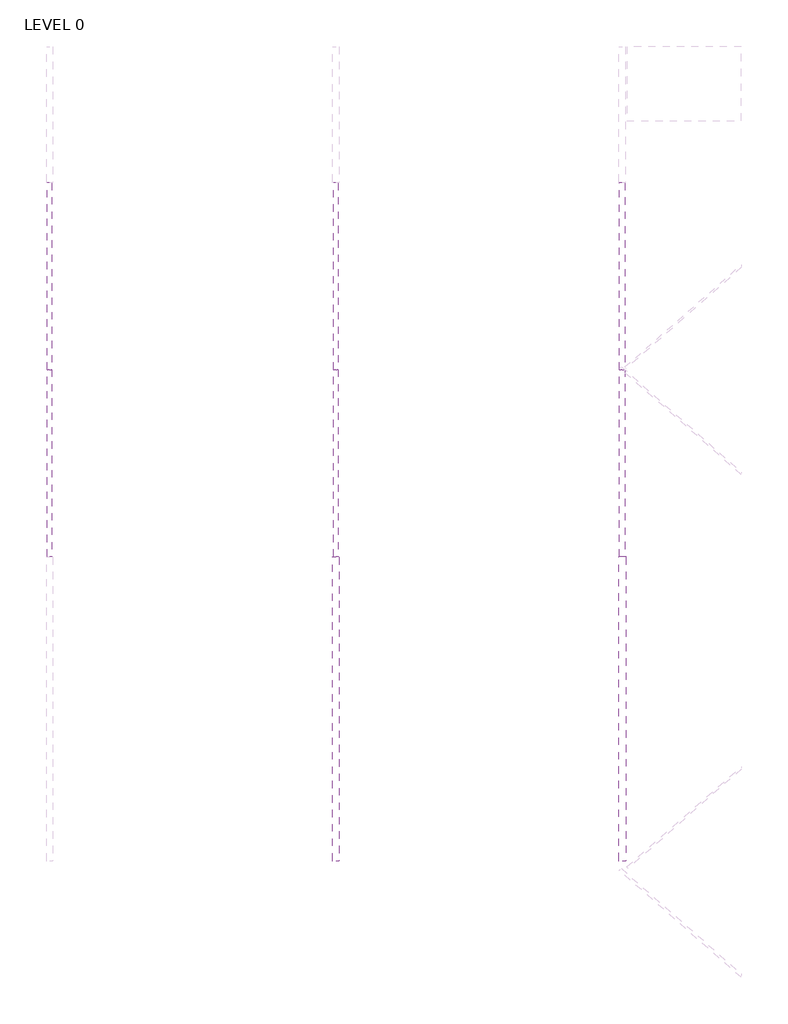
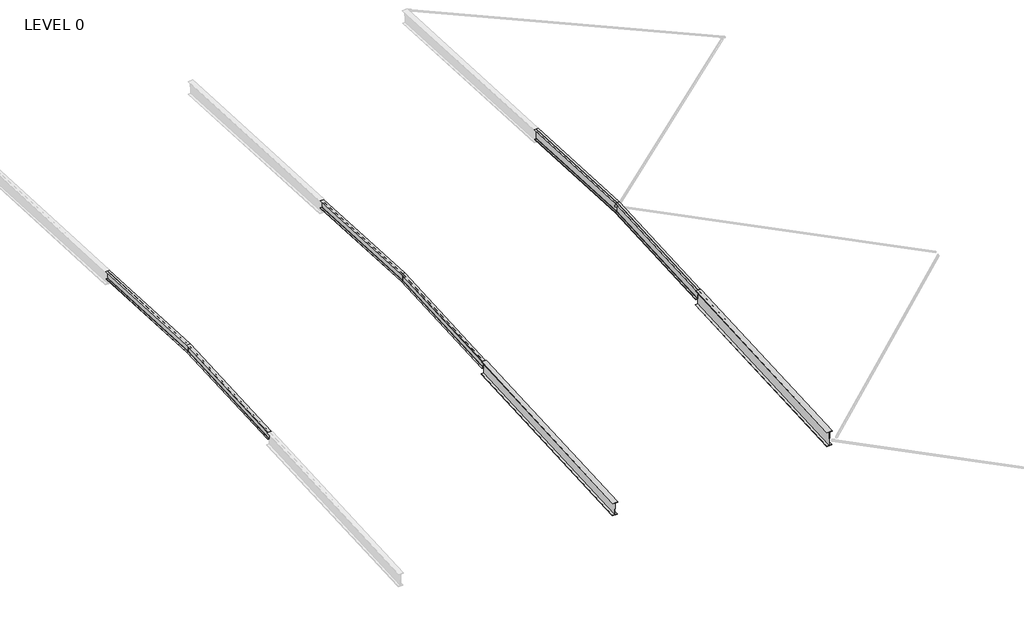
# One storey, part 5 of 11: 8 beams.
"""IFC4 building model written with IfcOpenShell, lengths in millimetres."""

from ifc_helpers import new_model, si_unit, frame, origin, place, context, project, spatial, polyline, circle_curve, ellipse_curve, outline, extrude, element, save
from ifc_brep_helpers import plane_surface, revolved_surface, advanced_brep

model = new_model("IFC4")

# Units and contexts
model_context = context("Model", 3, world=origin())
ifc_project = project(units=[si_unit("LENGTHUNIT", "METRE", prefix="MILLI")], contexts=[model_context])

# Site, building, storey
site = spatial("IfcSite", under=ifc_project)
building = spatial("IfcBuilding", under=site)
storey = spatial("IfcBuildingStorey", under=building, Name="LEVEL 0", Elevation=0.0)

# Beams
placement = place(None, origin())
element("IfcBeam", 1, ObjectType="R11-410UB53.7", at=placement, inside=storey, context=model_context, shape_type="AdvancedBrep", body=[
    advanced_brep(
    [(-206330.0885398, 51070.0, 61105.8171698), (-206341.4885398, 51070.0, 61094.4015251), (-206341.4885398, 43700.7118633, 60708.1934989), (-206330.0885398, 43700.1152334, 60719.5778756), (-206330.0885398, 51070.0, 61464.3084697), (-206330.0885398, 43681.3789611, 61077.0872491), (-206341.4885398, 51070.0, 61475.7241144), (-206341.4885398, 43680.7823312, 61088.4716258), (-206415.2885398, 51070.0, 61475.7241144), (-206415.2885398, 43680.7823312, 61088.4716258), (-206415.2885398, 51070.0, 61486.639073), (-206415.2885398, 43680.2118693, 61099.3566877), (-206237.2885398, 51070.0, 61486.639073), (-206237.2885398, 43680.2118693, 61099.3566877), (-206237.2885398, 51070.0, 61475.7241144), (-206237.2885398, 43680.7823312, 61088.4716258), (-206415.2885398, 43700.7118633, 60708.1934989), (-206415.2885398, 43701.2823253, 60697.308437), (-206237.2885398, 43701.2823253, 60697.308437), (-206237.2885398, 43700.7118633, 60708.1934989), (-206311.0885398, 43700.7118633, 60708.1934989), (-206322.4885398, 43700.1152334, 60719.5778756), (-206322.4885398, 43681.3789611, 61077.0872491), (-206311.0885398, 43680.7823312, 61088.4716258), (-206415.2885398, 51070.0, 61094.4015251), (-206311.0885398, 51070.0, 61475.7241144), (-206322.4885398, 51070.0, 61464.3084697), (-206322.4885398, 51070.0, 61105.8171698), (-206311.0885398, 51070.0, 61094.4015251), (-206237.2885398, 51070.0, 61094.4015251), (-206237.2885398, 51070.0, 61083.4865665), (-206415.2885398, 51070.0, 61083.4865665)],
    [
        (0, 1, ellipse_curve(frame((-206341.4885398, 51070.0, 61105.8171698), z_axis=(0.0, 1.0, 0.0), x_axis=(0.0, 0.0, -1.0)), 11.4156447, 11.4)),
        (1, 2),
        (2, 3, circle_curve(frame((-206341.4885398, 43700.1152334, 60719.5778756), z_axis=(0.0, -0.9986295347545777, -0.052335956242871705), x_axis=(1.0, 0.0, 0.0)), 11.4)),
        (3, 0),
        (4, 0),
        (3, 5),
        (5, 4),
        (6, 4, ellipse_curve(frame((-206341.4885398, 51070.0, 61464.3084697), z_axis=(0.0, 1.0, 0.0), x_axis=(0.0, 0.0, -1.0)), 11.4156447, 11.4)),
        (5, 7, circle_curve(frame((-206341.4885398, 43681.3789611, 61077.0872491), z_axis=(0.0, -0.9986295347545777, -0.052335956242871705), x_axis=(1.0, 0.0, 0.0)), 11.4)),
        (7, 6),
        (8, 6),
        (7, 9),
        (9, 8),
        (10, 8),
        (9, 11),
        (11, 10),
        (12, 10),
        (11, 13),
        (13, 12),
        (14, 12),
        (13, 15),
        (15, 14),
        (16, 17),
        (17, 18),
        (18, 19),
        (19, 20),
        (20, 21, circle_curve(frame((-206311.0885398, 43700.1152334, 60719.5778756), z_axis=(0.0, 0.9986295347545777, 0.052335956242871705), x_axis=(1.0, 0.0, 0.0)), 11.4)),
        (21, 22),
        (22, 23, circle_curve(frame((-206311.0885398, 43681.3789611, 61077.0872491), z_axis=(0.0, 0.9986295347545777, 0.052335956242871705), x_axis=(1.0, 0.0, 0.0)), 11.4)),
        (23, 15),
        (2, 16),
        (1, 24),
        (24, 16),
        (25, 14),
        (23, 25),
        (26, 25, ellipse_curve(frame((-206311.0885398, 51070.0, 61464.3084697), z_axis=(0.0, 1.0, 0.0), x_axis=(0.0, 0.0, -1.0)), 11.4156447, 11.4)),
        (22, 26),
        (27, 26),
        (21, 27),
        (28, 27, ellipse_curve(frame((-206311.0885398, 51070.0, 61105.8171698), z_axis=(0.0, 1.0, 0.0), x_axis=(0.0, 0.0, -1.0)), 11.4156447, 11.4)),
        (20, 28),
        (29, 28),
        (19, 29),
        (30, 29),
        (18, 30),
        (31, 30),
        (17, 31),
        (24, 31),
    ],
    [
        revolved_surface(polyline([(-206330.0885398, 43700.11523339669, 60719.57787563701), (-206330.0885398, 51070.59662989749, 61105.848437874054)]), (-206341.4885398, 51020.0697232, 61103.2004349), (0.0, -0.9986295347545777, -0.052335956242871705)),
        plane_surface(frame((-206330.0885398, 51020.0697232, 61103.2004349), z_axis=(-1.0, 0.0, 0.0), x_axis=(0.0, -0.9986295347545777, -0.052335956242871705))),
        revolved_surface(polyline([(-206330.0885398, 43681.378961103284, 61077.08724903736), (-206330.0885398, 51070.5966299015, 61464.33973769755)]), (-206341.4885398, 51001.3334509, 61460.7098083), (0.0, -0.9986295347545777, -0.052335956242871705)),
        plane_surface(frame((-206341.4885398, 51000.736821, 61472.094185), z_axis=(0.0, 0.052335956242871705, -0.9986295347545777), x_axis=(0.0, -0.9986295347545777, -0.052335956242871705))),
        plane_surface(frame((-206415.2885398, 51000.736821, 61472.094185), z_axis=(-1.0, 0.0, 0.0), x_axis=(0.0, -0.9986295347545777, -0.052335956242871705))),
        plane_surface(frame((-206415.2885398, 51000.166359, 61482.979247), z_axis=(0.0, -0.052335956242871705, 0.9986295347545777), x_axis=(0.0, -0.9986295347545777, -0.052335956242871705))),
        plane_surface(frame((-206237.2885398, 51000.166359, 61482.979247), z_axis=(1.0, 0.0, 0.0), x_axis=(0.0, -0.9986295347545777, -0.052335956242871705))),
        plane_surface(frame((-206326.2885398, 43690.7470973, 60898.3325624), z_axis=(0.0, -0.9986295347545777, -0.052335956242871705), x_axis=(0.0, -0.052335956242871705, 0.9986295347545777))),
        plane_surface(frame((-206415.2885398, 51020.6663531, 61091.8160582), z_axis=(0.0, -0.052335956242871705, 0.9986295347545777), x_axis=(0.0, -0.9986295347545777, -0.052335956242871705))),
        plane_surface(frame((-206237.2885398, 51000.736821, 61472.094185), z_axis=(0.0, 0.052335956242871705, -0.9986295347545777), x_axis=(0.0, -0.9986295347545777, -0.052335956242871705))),
        revolved_surface(polyline([(-206299.6885398, 43681.378961103284, 61077.08724903736), (-206299.6885398, 51070.5966299015, 61464.33973769755)]), (-206311.0885398, 51001.3334509, 61460.7098083), (0.0, -0.9986295347545777, -0.052335956242871705)),
        plane_surface(frame((-206322.4885398, 51001.3334509, 61460.7098083), z_axis=(1.0, 0.0, 0.0), x_axis=(0.0, -0.9986295347545777, -0.052335956242871705))),
        revolved_surface(polyline([(-206299.6885398, 43700.11523339669, 60719.57787563701), (-206299.6885398, 51070.59662989749, 61105.848437874054)]), (-206311.0885398, 51020.0697232, 61103.2004349), (0.0, -0.9986295347545777, -0.052335956242871705)),
        plane_surface(frame((-206311.0885398, 51020.6663531, 61091.8160582), z_axis=(0.0, -0.052335956242871705, 0.9986295347545777), x_axis=(0.0, -0.9986295347545777, -0.052335956242871705))),
        plane_surface(frame((-206237.2885398, 51020.6663531, 61091.8160582), z_axis=(1.0, 0.0, 0.0), x_axis=(0.0, -0.9986295347545777, -0.052335956242871705))),
        plane_surface(frame((-206237.2885398, 51021.236815, 61080.9309963), z_axis=(0.0, 0.052335956242871705, -0.9986295347545777), x_axis=(0.0, -0.9986295347545777, -0.052335956242871705))),
        plane_surface(frame((-206415.2885398, 51021.236815, 61080.9309963), z_axis=(-1.0, 0.0, 0.0), x_axis=(0.0, -0.9986295347545777, -0.052335956242871705))),
        plane_surface(frame((-206326.2885398, 51070.0, 61083.4865665), z_axis=(0.0, 1.0, 0.0), x_axis=(0.0, 0.0, -1.0))),
    ],
    [
        (0, [[1, 2, 3, 4]]),
        (1, [[5, -4, 6, 7]]),
        (2, [[8, -7, 9, 10]]),
        (3, [[11, -10, 12, 13]]),
        (4, [[14, -13, 15, 16]]),
        (5, [[17, -16, 18, 19]]),
        (6, [[20, -19, 21, 22]]),
        (7, [[23, 24, 25, 26, 27, 28, 29, 30, -21, -18, -15, -12, -9, -6, -3, 31]]),
        (8, [[32, 33, -31, -2]]),
        (9, [[34, -22, -30, 35]]),
        (10, [[36, -35, -29, 37]]),
        (11, [[38, -37, -28, 39]]),
        (12, [[40, -39, -27, 41]]),
        (13, [[42, -41, -26, 43]]),
        (14, [[44, -43, -25, 45]]),
        (15, [[46, -45, -24, 47]]),
        (16, [[48, -47, -23, -33]]),
        (17, [[-32, -1, -5, -8, -11, -14, -17, -20, -34, -36, -38, -40, -42, -44, -46, -48]]),
    ],
),
])
element("IfcBeam", 2, ObjectType="R11-410UB53.7", at=placement, inside=storey, context=model_context, shape_type="AdvancedBrep", body=[
    advanced_brep(
    [(-206330.0885398, 51070.0, 61105.8171698), (-206330.0885398, 58439.7408844, 60719.5854162), (-206341.4885398, 58439.1442545, 60708.2010395), (-206341.4885398, 51070.0, 61094.4015251), (-206330.0885398, 51070.0, 61464.3084697), (-206330.0885398, 58458.4771568, 61077.0947896), (-206341.4885398, 51070.0, 61475.7241144), (-206341.4885398, 58459.0737867, 61088.4791663), (-206415.2885398, 51070.0, 61475.7241144), (-206415.2885398, 58459.0737867, 61088.4791663), (-206415.2885398, 51070.0, 61486.639073), (-206415.2885398, 58459.6442486, 61099.3642282), (-206237.2885398, 51070.0, 61486.639073), (-206237.2885398, 58459.6442486, 61099.3642282), (-206237.2885398, 51070.0, 61475.7241144), (-206237.2885398, 58459.0737867, 61088.4791663), (-206415.2885398, 58439.1442545, 60708.2010395), (-206311.0885398, 58459.0737867, 61088.4791663), (-206322.4885398, 58458.4771568, 61077.0947896), (-206322.4885398, 58439.7408844, 60719.5854162), (-206311.0885398, 58439.1442545, 60708.2010395), (-206237.2885398, 58439.1442545, 60708.2010395), (-206237.2885398, 58438.5737926, 60697.3159776), (-206415.2885398, 58438.5737926, 60697.3159776), (-206415.2885398, 51070.0, 61094.4015251), (-206311.0885398, 51070.0, 61475.7241144), (-206322.4885398, 51070.0, 61464.3084697), (-206322.4885398, 51070.0, 61105.8171698), (-206311.0885398, 51070.0, 61094.4015251), (-206237.2885398, 51070.0, 61094.4015251), (-206237.2885398, 51070.0, 61083.4865665), (-206415.2885398, 51070.0, 61083.4865665)],
    [
        (0, 1),
        (1, 2, circle_curve(frame((-206341.4885398, 58439.7408844, 60719.5854162), z_axis=(0.0, 0.9986295347545777, -0.05233595624287165), x_axis=(1.0, 0.0, 0.0)), 11.4)),
        (2, 3),
        (3, 0, ellipse_curve(frame((-206341.4885398, 51070.0, 61105.8171698), z_axis=(0.0, -1.0, 0.0), x_axis=(0.0, 0.0, -1.0)), 11.4156447, 11.4)),
        (4, 5),
        (5, 1),
        (0, 4),
        (6, 7),
        (7, 5, circle_curve(frame((-206341.4885398, 58458.4771568, 61077.0947896), z_axis=(0.0, 0.9986295347545777, -0.05233595624287165), x_axis=(1.0, 0.0, 0.0)), 11.4)),
        (4, 6, ellipse_curve(frame((-206341.4885398, 51070.0, 61464.3084697), z_axis=(0.0, -1.0, 0.0), x_axis=(0.0, 0.0, -1.0)), 11.4156447, 11.4)),
        (8, 9),
        (9, 7),
        (6, 8),
        (10, 11),
        (11, 9),
        (8, 10),
        (12, 13),
        (13, 11),
        (10, 12),
        (14, 15),
        (15, 13),
        (12, 14),
        (16, 2),
        (15, 17),
        (17, 18, circle_curve(frame((-206311.0885398, 58458.4771568, 61077.0947896), z_axis=(0.0, -0.9986295347545777, 0.05233595624287165), x_axis=(1.0, 0.0, 0.0)), 11.4)),
        (18, 19),
        (19, 20, circle_curve(frame((-206311.0885398, 58439.7408844, 60719.5854162), z_axis=(0.0, -0.9986295347545777, 0.05233595624287165), x_axis=(1.0, 0.0, 0.0)), 11.4)),
        (20, 21),
        (21, 22),
        (22, 23),
        (23, 16),
        (16, 24),
        (24, 3),
        (25, 17),
        (14, 25),
        (26, 18),
        (25, 26, ellipse_curve(frame((-206311.0885398, 51070.0, 61464.3084697), z_axis=(0.0, -1.0, 0.0), x_axis=(0.0, 0.0, -1.0)), 11.4156447, 11.4)),
        (27, 19),
        (26, 27),
        (28, 20),
        (27, 28, ellipse_curve(frame((-206311.0885398, 51070.0, 61105.8171698), z_axis=(0.0, -1.0, 0.0), x_axis=(0.0, 0.0, -1.0)), 11.4156447, 11.4)),
        (29, 21),
        (28, 29),
        (30, 22),
        (29, 30),
        (31, 23),
        (30, 31),
        (31, 24),
    ],
    [
        revolved_surface(polyline([(-206330.0885398, 58439.74088439836, 60719.585416142516), (-206330.0885398, 51069.40337010035, 61105.84843783283)]), (-206341.4885398, 51119.7863947, 61103.2079754), (0.0, 0.9986295347545777, -0.05233595624287165)),
        plane_surface(frame((-206330.0885398, 51119.7863947, 61103.2079754), z_axis=(-1.0, 0.0, 0.0), x_axis=(0.0, 0.9986295347545777, -0.05233595624287165))),
        revolved_surface(polyline([(-206330.0885398, 58458.47715680194, 61077.09478963708), (-206330.0885398, 51069.40337010157, 61464.33973775605)]), (-206341.4885398, 51138.522667, 61460.7173489), (0.0, 0.9986295347545777, -0.05233595624287165)),
        plane_surface(frame((-206341.4885398, 51139.1192969, 61472.1017256), z_axis=(0.0, -0.05233595624287165, -0.9986295347545777), x_axis=(0.0, 0.9986295347545777, -0.05233595624287165))),
        plane_surface(frame((-206415.2885398, 51139.1192969, 61472.1017256), z_axis=(-1.0, 0.0, 0.0), x_axis=(0.0, 0.9986295347545777, -0.05233595624287165))),
        plane_surface(frame((-206415.2885398, 51139.6897588, 61482.9867875), z_axis=(0.0, 0.05233595624287165, 0.9986295347545777), x_axis=(0.0, 0.9986295347545777, -0.05233595624287165))),
        plane_surface(frame((-206237.2885398, 51139.6897588, 61482.9867875), z_axis=(1.0, 0.0, 0.0), x_axis=(0.0, 0.9986295347545777, -0.05233595624287165))),
        plane_surface(frame((-206326.2885398, 58449.1090206, 60898.3401029), z_axis=(0.0, 0.9986295347545777, -0.05233595624287208), x_axis=(0.0, 0.05233595624287208, 0.9986295347545777))),
        plane_surface(frame((-206415.2885398, 51119.1897648, 61091.8235987), z_axis=(0.0, 0.05233595624287165, 0.9986295347545777), x_axis=(0.0, 0.9986295347545777, -0.05233595624287165))),
        plane_surface(frame((-206237.2885398, 51139.1192969, 61472.1017256), z_axis=(0.0, -0.05233595624287165, -0.9986295347545777), x_axis=(0.0, 0.9986295347545777, -0.05233595624287165))),
        revolved_surface(polyline([(-206299.6885398, 58458.47715680194, 61077.09478963708), (-206299.6885398, 51069.40337010157, 61464.33973775605)]), (-206311.0885398, 51138.522667, 61460.7173489), (0.0, 0.9986295347545777, -0.05233595624287165)),
        plane_surface(frame((-206322.4885398, 51138.522667, 61460.7173489), z_axis=(1.0, 0.0, 0.0), x_axis=(0.0, 0.9986295347545777, -0.05233595624287165))),
        revolved_surface(polyline([(-206299.6885398, 58439.74088439836, 60719.585416142516), (-206299.6885398, 51069.40337010035, 61105.84843783283)]), (-206311.0885398, 51119.7863947, 61103.2079754), (0.0, 0.9986295347545777, -0.05233595624287165)),
        plane_surface(frame((-206311.0885398, 51119.1897648, 61091.8235987), z_axis=(0.0, 0.05233595624287165, 0.9986295347545777), x_axis=(0.0, 0.9986295347545777, -0.05233595624287165))),
        plane_surface(frame((-206237.2885398, 51119.1897648, 61091.8235987), z_axis=(1.0, 0.0, 0.0), x_axis=(0.0, 0.9986295347545777, -0.05233595624287165))),
        plane_surface(frame((-206237.2885398, 51118.6193029, 61080.9385368), z_axis=(0.0, -0.05233595624287165, -0.9986295347545777), x_axis=(0.0, 0.9986295347545777, -0.05233595624287165))),
        plane_surface(frame((-206415.2885398, 51118.6193029, 61080.9385368), z_axis=(-1.0, 0.0, 0.0), x_axis=(0.0, 0.9986295347545777, -0.05233595624287165))),
        plane_surface(frame((-206326.2885398, 51070.0, 61083.4865665), z_axis=(0.0, -1.0, 0.0), x_axis=(0.0, 0.0, 1.0))),
    ],
    [
        (0, [[1, 2, 3, 4]]),
        (1, [[5, 6, -1, 7]]),
        (2, [[8, 9, -5, 10]]),
        (3, [[11, 12, -8, 13]]),
        (4, [[14, 15, -11, 16]]),
        (5, [[17, 18, -14, 19]]),
        (6, [[20, 21, -17, 22]]),
        (7, [[23, -2, -6, -9, -12, -15, -18, -21, 24, 25, 26, 27, 28, 29, 30, 31]]),
        (8, [[-3, -23, 32, 33]]),
        (9, [[34, -24, -20, 35]]),
        (10, [[36, -25, -34, 37]]),
        (11, [[38, -26, -36, 39]]),
        (12, [[40, -27, -38, 41]]),
        (13, [[42, -28, -40, 43]]),
        (14, [[44, -29, -42, 45]]),
        (15, [[46, -30, -44, 47]]),
        (16, [[-32, -31, -46, 48]]),
        (17, [[-48, -47, -45, -43, -41, -39, -37, -35, -22, -19, -16, -13, -10, -7, -4, -33]]),
    ],
),
])
element("IfcBeam", 3, ObjectType="R11-410UB53.7", at=placement, inside=storey, context=model_context, shape_type="AdvancedBrep", body=[
    advanced_brep(
    [(-217630.0885398, 51070.0, 61105.8171698), (-217641.4885398, 51070.0, 61094.4015251), (-217641.4885398, 43700.7118633, 60708.1934989), (-217630.0885398, 43700.1152334, 60719.5778756), (-217630.0885398, 51070.0, 61464.3084697), (-217630.0885398, 43681.3789611, 61077.0872491), (-217641.4885398, 51070.0, 61475.7241144), (-217641.4885398, 43680.7823312, 61088.4716258), (-217715.2885398, 51070.0, 61475.7241144), (-217715.2885398, 43680.7823312, 61088.4716258), (-217715.2885398, 51070.0, 61486.639073), (-217715.2885398, 43680.2118693, 61099.3566877), (-217537.2885398, 51070.0, 61486.639073), (-217537.2885398, 43680.2118693, 61099.3566877), (-217537.2885398, 51070.0, 61475.7241144), (-217537.2885398, 43680.7823312, 61088.4716258), (-217715.2885398, 43700.7118633, 60708.1934989), (-217715.2885398, 43701.2823253, 60697.308437), (-217537.2885398, 43701.2823253, 60697.308437), (-217537.2885398, 43700.7118633, 60708.1934989), (-217611.0885398, 43700.7118633, 60708.1934989), (-217622.4885398, 43700.1152334, 60719.5778756), (-217622.4885398, 43681.3789611, 61077.0872491), (-217611.0885398, 43680.7823312, 61088.4716258), (-217715.2885398, 51070.0, 61094.4015251), (-217611.0885398, 51070.0, 61475.7241144), (-217622.4885398, 51070.0, 61464.3084697), (-217622.4885398, 51070.0, 61105.8171698), (-217611.0885398, 51070.0, 61094.4015251), (-217537.2885398, 51070.0, 61094.4015251), (-217537.2885398, 51070.0, 61083.4865665), (-217715.2885398, 51070.0, 61083.4865665)],
    [
        (0, 1, ellipse_curve(frame((-217641.4885398, 51070.0, 61105.8171698), z_axis=(0.0, 1.0, 0.0), x_axis=(0.0, 0.0, -1.0)), 11.4156447, 11.4)),
        (1, 2),
        (2, 3, circle_curve(frame((-217641.4885398, 43700.1152334, 60719.5778756), z_axis=(0.0, -0.9986295347545777, -0.052335956242871705), x_axis=(1.0, 0.0, 0.0)), 11.4)),
        (3, 0),
        (4, 0),
        (3, 5),
        (5, 4),
        (6, 4, ellipse_curve(frame((-217641.4885398, 51070.0, 61464.3084697), z_axis=(0.0, 1.0, 0.0), x_axis=(0.0, 0.0, -1.0)), 11.4156447, 11.4)),
        (5, 7, circle_curve(frame((-217641.4885398, 43681.3789611, 61077.0872491), z_axis=(0.0, -0.9986295347545777, -0.052335956242871705), x_axis=(1.0, 0.0, 0.0)), 11.4)),
        (7, 6),
        (8, 6),
        (7, 9),
        (9, 8),
        (10, 8),
        (9, 11),
        (11, 10),
        (12, 10),
        (11, 13),
        (13, 12),
        (14, 12),
        (13, 15),
        (15, 14),
        (16, 17),
        (17, 18),
        (18, 19),
        (19, 20),
        (20, 21, circle_curve(frame((-217611.0885398, 43700.1152334, 60719.5778756), z_axis=(0.0, 0.9986295347545777, 0.052335956242871705), x_axis=(1.0, 0.0, 0.0)), 11.4)),
        (21, 22),
        (22, 23, circle_curve(frame((-217611.0885398, 43681.3789611, 61077.0872491), z_axis=(0.0, 0.9986295347545777, 0.052335956242871705), x_axis=(1.0, 0.0, 0.0)), 11.4)),
        (23, 15),
        (2, 16),
        (1, 24),
        (24, 16),
        (25, 14),
        (23, 25),
        (26, 25, ellipse_curve(frame((-217611.0885398, 51070.0, 61464.3084697), z_axis=(0.0, 1.0, 0.0), x_axis=(0.0, 0.0, -1.0)), 11.4156447, 11.4)),
        (22, 26),
        (27, 26),
        (21, 27),
        (28, 27, ellipse_curve(frame((-217611.0885398, 51070.0, 61105.8171698), z_axis=(0.0, 1.0, 0.0), x_axis=(0.0, 0.0, -1.0)), 11.4156447, 11.4)),
        (20, 28),
        (29, 28),
        (19, 29),
        (30, 29),
        (18, 30),
        (31, 30),
        (17, 31),
        (24, 31),
    ],
    [
        revolved_surface(polyline([(-217630.0885398, 43700.11523339669, 60719.57787563701), (-217630.0885398, 51070.59662989749, 61105.848437874054)]), (-217641.4885398, 51020.0697232, 61103.2004349), (0.0, -0.9986295347545777, -0.052335956242871705)),
        plane_surface(frame((-217630.0885398, 51020.0697232, 61103.2004349), z_axis=(-1.0, 0.0, 0.0), x_axis=(0.0, -0.9986295347545777, -0.052335956242871705))),
        revolved_surface(polyline([(-217630.0885398, 43681.378961103284, 61077.08724903736), (-217630.0885398, 51070.5966299015, 61464.33973769755)]), (-217641.4885398, 51001.3334509, 61460.7098083), (0.0, -0.9986295347545777, -0.052335956242871705)),
        plane_surface(frame((-217641.4885398, 51000.736821, 61472.094185), z_axis=(0.0, 0.052335956242871705, -0.9986295347545777), x_axis=(0.0, -0.9986295347545777, -0.052335956242871705))),
        plane_surface(frame((-217715.2885398, 51000.736821, 61472.094185), z_axis=(-1.0, 0.0, 0.0), x_axis=(0.0, -0.9986295347545777, -0.052335956242871705))),
        plane_surface(frame((-217715.2885398, 51000.166359, 61482.979247), z_axis=(0.0, -0.052335956242871705, 0.9986295347545777), x_axis=(0.0, -0.9986295347545777, -0.052335956242871705))),
        plane_surface(frame((-217537.2885398, 51000.166359, 61482.979247), z_axis=(1.0, 0.0, 0.0), x_axis=(0.0, -0.9986295347545777, -0.052335956242871705))),
        plane_surface(frame((-217626.2885398, 43690.7470973, 60898.3325624), z_axis=(0.0, -0.9986295347545777, -0.052335956242871705), x_axis=(0.0, -0.052335956242871705, 0.9986295347545777))),
        plane_surface(frame((-217715.2885398, 51020.6663531, 61091.8160582), z_axis=(0.0, -0.052335956242871705, 0.9986295347545777), x_axis=(0.0, -0.9986295347545777, -0.052335956242871705))),
        plane_surface(frame((-217537.2885398, 51000.736821, 61472.094185), z_axis=(0.0, 0.052335956242871705, -0.9986295347545777), x_axis=(0.0, -0.9986295347545777, -0.052335956242871705))),
        revolved_surface(polyline([(-217599.6885398, 43681.378961103284, 61077.08724903736), (-217599.6885398, 51070.5966299015, 61464.33973769755)]), (-217611.0885398, 51001.3334509, 61460.7098083), (0.0, -0.9986295347545777, -0.052335956242871705)),
        plane_surface(frame((-217622.4885398, 51001.3334509, 61460.7098083), z_axis=(1.0, 0.0, 0.0), x_axis=(0.0, -0.9986295347545777, -0.052335956242871705))),
        revolved_surface(polyline([(-217599.6885398, 43700.11523339669, 60719.57787563701), (-217599.6885398, 51070.59662989749, 61105.848437874054)]), (-217611.0885398, 51020.0697232, 61103.2004349), (0.0, -0.9986295347545777, -0.052335956242871705)),
        plane_surface(frame((-217611.0885398, 51020.6663531, 61091.8160582), z_axis=(0.0, -0.052335956242871705, 0.9986295347545777), x_axis=(0.0, -0.9986295347545777, -0.052335956242871705))),
        plane_surface(frame((-217537.2885398, 51020.6663531, 61091.8160582), z_axis=(1.0, 0.0, 0.0), x_axis=(0.0, -0.9986295347545777, -0.052335956242871705))),
        plane_surface(frame((-217537.2885398, 51021.236815, 61080.9309963), z_axis=(0.0, 0.052335956242871705, -0.9986295347545777), x_axis=(0.0, -0.9986295347545777, -0.052335956242871705))),
        plane_surface(frame((-217715.2885398, 51021.236815, 61080.9309963), z_axis=(-1.0, 0.0, 0.0), x_axis=(0.0, -0.9986295347545777, -0.052335956242871705))),
        plane_surface(frame((-217626.2885398, 51070.0, 61083.4865665), z_axis=(0.0, 1.0, 0.0), x_axis=(0.0, 0.0, -1.0))),
    ],
    [
        (0, [[1, 2, 3, 4]]),
        (1, [[5, -4, 6, 7]]),
        (2, [[8, -7, 9, 10]]),
        (3, [[11, -10, 12, 13]]),
        (4, [[14, -13, 15, 16]]),
        (5, [[17, -16, 18, 19]]),
        (6, [[20, -19, 21, 22]]),
        (7, [[23, 24, 25, 26, 27, 28, 29, 30, -21, -18, -15, -12, -9, -6, -3, 31]]),
        (8, [[32, 33, -31, -2]]),
        (9, [[34, -22, -30, 35]]),
        (10, [[36, -35, -29, 37]]),
        (11, [[38, -37, -28, 39]]),
        (12, [[40, -39, -27, 41]]),
        (13, [[42, -41, -26, 43]]),
        (14, [[44, -43, -25, 45]]),
        (15, [[46, -45, -24, 47]]),
        (16, [[48, -47, -23, -33]]),
        (17, [[-32, -1, -5, -8, -11, -14, -17, -20, -34, -36, -38, -40, -42, -44, -46, -48]]),
    ],
),
])
element("IfcBeam", 4, ObjectType="R11-410UB53.7", at=placement, inside=storey, context=model_context, shape_type="AdvancedBrep", body=[
    advanced_brep(
    [(-217630.0885398, 51070.0, 61105.8171698), (-217630.0885398, 58439.7408844, 60719.5854162), (-217641.4885398, 58439.1442545, 60708.2010395), (-217641.4885398, 51070.0, 61094.4015251), (-217630.0885398, 51070.0, 61464.3084697), (-217630.0885398, 58458.4771568, 61077.0947896), (-217641.4885398, 51070.0, 61475.7241144), (-217641.4885398, 58459.0737867, 61088.4791663), (-217715.2885398, 51070.0, 61475.7241144), (-217715.2885398, 58459.0737867, 61088.4791663), (-217715.2885398, 51070.0, 61486.639073), (-217715.2885398, 58459.6442486, 61099.3642282), (-217537.2885398, 51070.0, 61486.639073), (-217537.2885398, 58459.6442486, 61099.3642282), (-217537.2885398, 51070.0, 61475.7241144), (-217537.2885398, 58459.0737867, 61088.4791663), (-217715.2885398, 58439.1442545, 60708.2010395), (-217611.0885398, 58459.0737867, 61088.4791663), (-217622.4885398, 58458.4771568, 61077.0947896), (-217622.4885398, 58439.7408844, 60719.5854162), (-217611.0885398, 58439.1442545, 60708.2010395), (-217537.2885398, 58439.1442545, 60708.2010395), (-217537.2885398, 58438.5737926, 60697.3159776), (-217715.2885398, 58438.5737926, 60697.3159776), (-217715.2885398, 51070.0, 61094.4015251), (-217611.0885398, 51070.0, 61475.7241144), (-217622.4885398, 51070.0, 61464.3084697), (-217622.4885398, 51070.0, 61105.8171698), (-217611.0885398, 51070.0, 61094.4015251), (-217537.2885398, 51070.0, 61094.4015251), (-217537.2885398, 51070.0, 61083.4865665), (-217715.2885398, 51070.0, 61083.4865665)],
    [
        (0, 1),
        (1, 2, circle_curve(frame((-217641.4885398, 58439.7408844, 60719.5854162), z_axis=(0.0, 0.9986295347545777, -0.05233595624287165), x_axis=(1.0, 0.0, 0.0)), 11.4)),
        (2, 3),
        (3, 0, ellipse_curve(frame((-217641.4885398, 51070.0, 61105.8171698), z_axis=(0.0, -1.0, 0.0), x_axis=(0.0, 0.0, -1.0)), 11.4156447, 11.4)),
        (4, 5),
        (5, 1),
        (0, 4),
        (6, 7),
        (7, 5, circle_curve(frame((-217641.4885398, 58458.4771568, 61077.0947896), z_axis=(0.0, 0.9986295347545777, -0.05233595624287165), x_axis=(1.0, 0.0, 0.0)), 11.4)),
        (4, 6, ellipse_curve(frame((-217641.4885398, 51070.0, 61464.3084697), z_axis=(0.0, -1.0, 0.0), x_axis=(0.0, 0.0, -1.0)), 11.4156447, 11.4)),
        (8, 9),
        (9, 7),
        (6, 8),
        (10, 11),
        (11, 9),
        (8, 10),
        (12, 13),
        (13, 11),
        (10, 12),
        (14, 15),
        (15, 13),
        (12, 14),
        (16, 2),
        (15, 17),
        (17, 18, circle_curve(frame((-217611.0885398, 58458.4771568, 61077.0947896), z_axis=(0.0, -0.9986295347545777, 0.05233595624287165), x_axis=(1.0, 0.0, 0.0)), 11.4)),
        (18, 19),
        (19, 20, circle_curve(frame((-217611.0885398, 58439.7408844, 60719.5854162), z_axis=(0.0, -0.9986295347545777, 0.05233595624287165), x_axis=(1.0, 0.0, 0.0)), 11.4)),
        (20, 21),
        (21, 22),
        (22, 23),
        (23, 16),
        (16, 24),
        (24, 3),
        (25, 17),
        (14, 25),
        (26, 18),
        (25, 26, ellipse_curve(frame((-217611.0885398, 51070.0, 61464.3084697), z_axis=(0.0, -1.0, 0.0), x_axis=(0.0, 0.0, -1.0)), 11.4156447, 11.4)),
        (27, 19),
        (26, 27),
        (28, 20),
        (27, 28, ellipse_curve(frame((-217611.0885398, 51070.0, 61105.8171698), z_axis=(0.0, -1.0, 0.0), x_axis=(0.0, 0.0, -1.0)), 11.4156447, 11.4)),
        (29, 21),
        (28, 29),
        (30, 22),
        (29, 30),
        (31, 23),
        (30, 31),
        (31, 24),
    ],
    [
        revolved_surface(polyline([(-217630.0885398, 58439.74088439836, 60719.585416142516), (-217630.0885398, 51069.40337010035, 61105.84843783283)]), (-217641.4885398, 51119.7863947, 61103.2079754), (0.0, 0.9986295347545777, -0.05233595624287165)),
        plane_surface(frame((-217630.0885398, 51119.7863947, 61103.2079754), z_axis=(-1.0, 0.0, 0.0), x_axis=(0.0, 0.9986295347545777, -0.05233595624287165))),
        revolved_surface(polyline([(-217630.0885398, 58458.47715680194, 61077.09478963708), (-217630.0885398, 51069.40337010157, 61464.33973775605)]), (-217641.4885398, 51138.522667, 61460.7173489), (0.0, 0.9986295347545777, -0.05233595624287165)),
        plane_surface(frame((-217641.4885398, 51139.1192969, 61472.1017256), z_axis=(0.0, -0.05233595624287165, -0.9986295347545777), x_axis=(0.0, 0.9986295347545777, -0.05233595624287165))),
        plane_surface(frame((-217715.2885398, 51139.1192969, 61472.1017256), z_axis=(-1.0, 0.0, 0.0), x_axis=(0.0, 0.9986295347545777, -0.05233595624287165))),
        plane_surface(frame((-217715.2885398, 51139.6897588, 61482.9867875), z_axis=(0.0, 0.05233595624287165, 0.9986295347545777), x_axis=(0.0, 0.9986295347545777, -0.05233595624287165))),
        plane_surface(frame((-217537.2885398, 51139.6897588, 61482.9867875), z_axis=(1.0, 0.0, 0.0), x_axis=(0.0, 0.9986295347545777, -0.05233595624287165))),
        plane_surface(frame((-217626.2885398, 58449.1090206, 60898.3401029), z_axis=(0.0, 0.9986295347545777, -0.05233595624287208), x_axis=(0.0, 0.05233595624287208, 0.9986295347545777))),
        plane_surface(frame((-217715.2885398, 51119.1897648, 61091.8235987), z_axis=(0.0, 0.05233595624287165, 0.9986295347545777), x_axis=(0.0, 0.9986295347545777, -0.05233595624287165))),
        plane_surface(frame((-217537.2885398, 51139.1192969, 61472.1017256), z_axis=(0.0, -0.05233595624287165, -0.9986295347545777), x_axis=(0.0, 0.9986295347545777, -0.05233595624287165))),
        revolved_surface(polyline([(-217599.6885398, 58458.47715680194, 61077.09478963708), (-217599.6885398, 51069.40337010157, 61464.33973775605)]), (-217611.0885398, 51138.522667, 61460.7173489), (0.0, 0.9986295347545777, -0.05233595624287165)),
        plane_surface(frame((-217622.4885398, 51138.522667, 61460.7173489), z_axis=(1.0, 0.0, 0.0), x_axis=(0.0, 0.9986295347545777, -0.05233595624287165))),
        revolved_surface(polyline([(-217599.6885398, 58439.74088439836, 60719.585416142516), (-217599.6885398, 51069.40337010035, 61105.84843783283)]), (-217611.0885398, 51119.7863947, 61103.2079754), (0.0, 0.9986295347545777, -0.05233595624287165)),
        plane_surface(frame((-217611.0885398, 51119.1897648, 61091.8235987), z_axis=(0.0, 0.05233595624287165, 0.9986295347545777), x_axis=(0.0, 0.9986295347545777, -0.05233595624287165))),
        plane_surface(frame((-217537.2885398, 51119.1897648, 61091.8235987), z_axis=(1.0, 0.0, 0.0), x_axis=(0.0, 0.9986295347545777, -0.05233595624287165))),
        plane_surface(frame((-217537.2885398, 51118.6193029, 61080.9385368), z_axis=(0.0, -0.05233595624287165, -0.9986295347545777), x_axis=(0.0, 0.9986295347545777, -0.05233595624287165))),
        plane_surface(frame((-217715.2885398, 51118.6193029, 61080.9385368), z_axis=(-1.0, 0.0, 0.0), x_axis=(0.0, 0.9986295347545777, -0.05233595624287165))),
        plane_surface(frame((-217626.2885398, 51070.0, 61083.4865665), z_axis=(0.0, -1.0, 0.0), x_axis=(0.0, 0.0, 1.0))),
    ],
    [
        (0, [[1, 2, 3, 4]]),
        (1, [[5, 6, -1, 7]]),
        (2, [[8, 9, -5, 10]]),
        (3, [[11, 12, -8, 13]]),
        (4, [[14, 15, -11, 16]]),
        (5, [[17, 18, -14, 19]]),
        (6, [[20, 21, -17, 22]]),
        (7, [[23, -2, -6, -9, -12, -15, -18, -21, 24, 25, 26, 27, 28, 29, 30, 31]]),
        (8, [[-3, -23, 32, 33]]),
        (9, [[34, -24, -20, 35]]),
        (10, [[36, -25, -34, 37]]),
        (11, [[38, -26, -36, 39]]),
        (12, [[40, -27, -38, 41]]),
        (13, [[42, -28, -40, 43]]),
        (14, [[44, -29, -42, 45]]),
        (15, [[46, -30, -44, 47]]),
        (16, [[-32, -31, -46, 48]]),
        (17, [[-48, -47, -45, -43, -41, -39, -37, -35, -22, -19, -16, -13, -10, -7, -4, -33]]),
    ],
),
])
element("IfcBeam", 5, ObjectType="R2-800WB146", at=placement, inside=storey, context=model_context, shape_type="SweptSolid", body=[
    extrude(outline(polyline([(-380.0, -137.5), (-400.0, -137.5), (-400.0, 137.5), (-380.0, 137.5), (-380.0, 5.0), (380.0, 5.0), (380.0, 137.5), (400.0, 137.5), (400.0, -137.5), (380.0, -137.5), (380.0, -5.0), (-380.0, -5.0), (-380.0, -137.5)])), frame((-195026.2885398, 31697.6969781, 60070.8307536), z_axis=(0.0, 0.9986295347545777, 0.05233595624287148), x_axis=(0.0, -0.05233595624287148, 0.9986295347545777)), (0.0, 0.0, 1.0), 12000.0),
])
element("IfcBeam", 6, ObjectType="R3-700WB130", at=placement, inside=storey, context=model_context, shape_type="SweptSolid", body=[
    extrude(outline(polyline([(-330.0, -125.0), (-350.0, -125.0), (-350.0, 125.0), (-330.0, 125.0), (-330.0, 5.0), (329.9999999, 5.0), (329.9999999, 125.0), (349.9999999, 125.0), (349.9999999, -125.0), (329.9999999, -125.0), (329.9999999, -5.0), (-330.0, -5.0), (-330.0, -125.0)])), frame((-206326.2885398, 31695.0801803, 60120.7622304), z_axis=(0.0, 0.9986295347545777, 0.05233595624287148), x_axis=(0.0, -0.05233595624287148, 0.9986295347545777)), (0.0, 0.0, 1.0), 12000.0),
])
element("IfcBeam", 7, ObjectType="R7-530UB82.0", at=placement, inside=storey, context=model_context, shape_type="AdvancedBrep", body=[
    advanced_brep(
    [(-195031.0885398, 51070.0, 60984.9515277), (-195045.0885398, 51070.0, 60970.9323148), (-195045.0885398, 43707.1648867, 60585.0624773), (-195031.0885398, 43706.4321834, 60599.0432908), (-195031.0885398, 51070.0, 61459.4017452), (-195031.0885398, 43681.6354073, 61072.1939644), (-195045.0885398, 51070.0, 61473.420958), (-195045.0885398, 43680.9027039, 61086.1747778), (-195130.7885398, 51070.0, 61473.420958), (-195130.7885398, 43680.9027039, 61086.1747778), (-195130.7885398, 51070.0, 61486.639073), (-195130.7885398, 43680.2118693, 61099.3566877), (-194921.7885398, 51070.0, 61486.639073), (-194921.7885398, 43680.2118693, 61099.3566877), (-194921.7885398, 51070.0, 61473.420958), (-194921.7885398, 43680.9027039, 61086.1747778), (-195130.7885398, 43707.1648867, 60585.0624773), (-195130.7885398, 43707.8557214, 60571.8805674), (-194921.7885398, 43707.8557214, 60571.8805674), (-194921.7885398, 43707.1648867, 60585.0624773), (-195007.4885398, 43707.1648867, 60585.0624773), (-195021.4885398, 43706.4321834, 60599.0432908), (-195021.4885398, 43681.6354073, 61072.1939644), (-195007.4885398, 43680.9027039, 61086.1747778), (-195130.7885398, 51070.0, 60970.9323148), (-195007.4885398, 51070.0, 61473.420958), (-195021.4885398, 51070.0, 61459.4017452), (-195021.4885398, 51070.0, 60984.9515277), (-195007.4885398, 51070.0, 60970.9323148), (-194921.7885398, 51070.0, 60970.9323148), (-194921.7885398, 51070.0, 60957.7141998), (-195130.7885398, 51070.0, 60957.7141998)],
    [
        (0, 1, ellipse_curve(frame((-195045.0885398, 51070.0, 60984.9515277), z_axis=(0.0, 1.0, 0.0), x_axis=(0.0, 0.0, -1.0)), 14.0192128, 14.0)),
        (1, 2),
        (2, 3, circle_curve(frame((-195045.0885398, 43706.4321834, 60599.0432908), z_axis=(0.0, -0.9986295347545777, -0.052335956242871705), x_axis=(1.0, 0.0, 0.0)), 14.0)),
        (3, 0),
        (4, 0),
        (3, 5),
        (5, 4),
        (6, 4, ellipse_curve(frame((-195045.0885398, 51070.0, 61459.4017452), z_axis=(0.0, 1.0, 0.0), x_axis=(0.0, 0.0, -1.0)), 14.0192128, 14.0)),
        (5, 7, circle_curve(frame((-195045.0885398, 43681.6354073, 61072.1939644), z_axis=(0.0, -0.9986295347545777, -0.052335956242871705), x_axis=(1.0, 0.0, 0.0)), 14.0)),
        (7, 6),
        (8, 6),
        (7, 9),
        (9, 8),
        (10, 8),
        (9, 11),
        (11, 10),
        (12, 10),
        (11, 13),
        (13, 12),
        (14, 12),
        (13, 15),
        (15, 14),
        (16, 17),
        (17, 18),
        (18, 19),
        (19, 20),
        (20, 21, circle_curve(frame((-195007.4885398, 43706.4321834, 60599.0432908), z_axis=(0.0, 0.9986295347545777, 0.052335956242871705), x_axis=(1.0, 0.0, 0.0)), 14.0)),
        (21, 22),
        (22, 23, circle_curve(frame((-195007.4885398, 43681.6354073, 61072.1939644), z_axis=(0.0, 0.9986295347545777, 0.052335956242871705), x_axis=(1.0, 0.0, 0.0)), 14.0)),
        (23, 15),
        (2, 16),
        (1, 24),
        (24, 16),
        (25, 14),
        (23, 25),
        (26, 25, ellipse_curve(frame((-195007.4885398, 51070.0, 61459.4017452), z_axis=(0.0, 1.0, 0.0), x_axis=(0.0, 0.0, -1.0)), 14.0192128, 14.0)),
        (22, 26),
        (27, 26),
        (21, 27),
        (28, 27, ellipse_curve(frame((-195007.4885398, 51070.0, 60984.9515277), z_axis=(0.0, 1.0, 0.0), x_axis=(0.0, 0.0, -1.0)), 14.0192128, 14.0)),
        (20, 28),
        (29, 28),
        (19, 29),
        (30, 29),
        (18, 30),
        (31, 30),
        (17, 31),
        (24, 31),
    ],
    [
        revolved_surface(polyline([(-195031.0885398, 43706.43218331514, 60599.04329073797), (-195031.0885398, 51070.73270338981, 60984.9899269675)]), (-195045.0885398, 51026.3866731, 60982.66585), (0.0, -0.9986295347545777, -0.052335956242871705)),
        plane_surface(frame((-195031.0885398, 51026.3866731, 60982.66585), z_axis=(-1.0, 0.0, 0.0), x_axis=(0.0, -0.9986295347545777, -0.052335956242871705))),
        revolved_surface(polyline([(-195031.0885398, 43681.63540728592, 61072.193964341684), (-195031.0885398, 51070.73270338622, 61459.44014453609)]), (-195045.0885398, 51001.589897, 61455.8165236), (0.0, -0.9986295347545777, -0.052335956242871705)),
        plane_surface(frame((-195045.0885398, 51000.8571937, 61469.7973371), z_axis=(0.0, 0.052335956242871705, -0.9986295347545777), x_axis=(0.0, -0.9986295347545777, -0.052335956242871705))),
        plane_surface(frame((-195130.7885398, 51000.8571937, 61469.7973371), z_axis=(-1.0, 0.0, 0.0), x_axis=(0.0, -0.9986295347545777, -0.052335956242871705))),
        plane_surface(frame((-195130.7885398, 51000.166359, 61482.979247), z_axis=(0.0, -0.052335956242871705, 0.9986295347545777), x_axis=(0.0, -0.9986295347545777, -0.052335956242871705))),
        plane_surface(frame((-194921.7885398, 51000.166359, 61482.979247), z_axis=(1.0, 0.0, 0.0), x_axis=(0.0, -0.9986295347545777, -0.052335956242871705))),
        plane_surface(frame((-195026.2885398, 43694.0337953, 60835.6186276), z_axis=(0.0, -0.9986295347545777, -0.052335956242871705), x_axis=(0.0, -0.052335956242871705, 0.9986295347545777))),
        plane_surface(frame((-195130.7885398, 51027.1193765, 60968.6850366), z_axis=(0.0, -0.052335956242871705, 0.9986295347545777), x_axis=(0.0, -0.9986295347545777, -0.052335956242871705))),
        plane_surface(frame((-194921.7885398, 51000.8571937, 61469.7973371), z_axis=(0.0, 0.052335956242871705, -0.9986295347545777), x_axis=(0.0, -0.9986295347545777, -0.052335956242871705))),
        revolved_surface(polyline([(-194993.4885398, 43681.63540728592, 61072.193964341684), (-194993.4885398, 51070.73270338622, 61459.44014453609)]), (-195007.4885398, 51001.589897, 61455.8165236), (0.0, -0.9986295347545777, -0.052335956242871705)),
        plane_surface(frame((-195021.4885398, 51001.589897, 61455.8165236), z_axis=(1.0, 0.0, 0.0), x_axis=(0.0, -0.9986295347545777, -0.052335956242871705))),
        revolved_surface(polyline([(-194993.4885398, 43706.43218331514, 60599.04329073797), (-194993.4885398, 51070.73270338981, 60984.9899269675)]), (-195007.4885398, 51026.3866731, 60982.66585), (0.0, -0.9986295347545777, -0.052335956242871705)),
        plane_surface(frame((-195007.4885398, 51027.1193765, 60968.6850366), z_axis=(0.0, -0.052335956242871705, 0.9986295347545777), x_axis=(0.0, -0.9986295347545777, -0.052335956242871705))),
        plane_surface(frame((-194921.7885398, 51027.1193765, 60968.6850366), z_axis=(1.0, 0.0, 0.0), x_axis=(0.0, -0.9986295347545777, -0.052335956242871705))),
        plane_surface(frame((-194921.7885398, 51027.8102111, 60955.5031267), z_axis=(0.0, 0.052335956242871705, -0.9986295347545777), x_axis=(0.0, -0.9986295347545777, -0.052335956242871705))),
        plane_surface(frame((-195130.7885398, 51027.8102111, 60955.5031267), z_axis=(-1.0, 0.0, 0.0), x_axis=(0.0, -0.9986295347545777, -0.052335956242871705))),
        plane_surface(frame((-195026.2885398, 51070.0, 60957.7141998), z_axis=(0.0, 1.0, 0.0), x_axis=(0.0, 0.0, -1.0))),
    ],
    [
        (0, [[1, 2, 3, 4]]),
        (1, [[5, -4, 6, 7]]),
        (2, [[8, -7, 9, 10]]),
        (3, [[11, -10, 12, 13]]),
        (4, [[14, -13, 15, 16]]),
        (5, [[17, -16, 18, 19]]),
        (6, [[20, -19, 21, 22]]),
        (7, [[23, 24, 25, 26, 27, 28, 29, 30, -21, -18, -15, -12, -9, -6, -3, 31]]),
        (8, [[32, 33, -31, -2]]),
        (9, [[34, -22, -30, 35]]),
        (10, [[36, -35, -29, 37]]),
        (11, [[38, -37, -28, 39]]),
        (12, [[40, -39, -27, 41]]),
        (13, [[42, -41, -26, 43]]),
        (14, [[44, -43, -25, 45]]),
        (15, [[46, -45, -24, 47]]),
        (16, [[48, -47, -23, -33]]),
        (17, [[-32, -1, -5, -8, -11, -14, -17, -20, -34, -36, -38, -40, -42, -44, -46, -48]]),
    ],
),
])
element("IfcBeam", 8, ObjectType="R7-530UB82.0", at=placement, inside=storey, context=model_context, shape_type="AdvancedBrep", body=[
    advanced_brep(
    [(-195031.0885398, 51070.0, 60984.9515277), (-195031.0885398, 58433.4239345, 60599.0508313), (-195045.0885398, 58432.6912311, 60585.0700178), (-195045.0885398, 51070.0, 60970.9323148), (-195031.0885398, 51070.0, 61459.4017452), (-195031.0885398, 58458.2207106, 61072.2015049), (-195045.0885398, 51070.0, 61473.420958), (-195045.0885398, 58458.953414, 61086.1823184), (-195130.7885398, 51070.0, 61473.420958), (-195130.7885398, 58458.953414, 61086.1823184), (-195130.7885398, 51070.0, 61486.639073), (-195130.7885398, 58459.6442486, 61099.3642282), (-194921.7885398, 51070.0, 61486.639073), (-194921.7885398, 58459.6442486, 61099.3642282), (-194921.7885398, 51070.0, 61473.420958), (-194921.7885398, 58458.953414, 61086.1823184), (-195130.7885398, 58432.6912311, 60585.0700178), (-195007.4885398, 58458.953414, 61086.1823184), (-195021.4885398, 58458.2207106, 61072.2015049), (-195021.4885398, 58433.4239345, 60599.0508313), (-195007.4885398, 58432.6912311, 60585.0700178), (-194921.7885398, 58432.6912311, 60585.0700178), (-194921.7885398, 58432.0003965, 60571.888108), (-195130.7885398, 58432.0003965, 60571.888108), (-195130.7885398, 51070.0, 60970.9323148), (-195007.4885398, 51070.0, 61473.420958), (-195021.4885398, 51070.0, 61459.4017452), (-195021.4885398, 51070.0, 60984.9515277), (-195007.4885398, 51070.0, 60970.9323148), (-194921.7885398, 51070.0, 60970.9323148), (-194921.7885398, 51070.0, 60957.7141998), (-195130.7885398, 51070.0, 60957.7141998)],
    [
        (0, 1),
        (1, 2, circle_curve(frame((-195045.0885398, 58433.4239345, 60599.0508313), z_axis=(0.0, 0.9986295347545777, -0.05233595624287165), x_axis=(1.0, 0.0, 0.0)), 14.0)),
        (2, 3),
        (3, 0, ellipse_curve(frame((-195045.0885398, 51070.0, 60984.9515277), z_axis=(0.0, -1.0, 0.0), x_axis=(0.0, 0.0, -1.0)), 14.0192128, 14.0)),
        (4, 5),
        (5, 1),
        (0, 4),
        (6, 7),
        (7, 5, circle_curve(frame((-195045.0885398, 58458.2207106, 61072.2015049), z_axis=(0.0, 0.9986295347545777, -0.05233595624287165), x_axis=(1.0, 0.0, 0.0)), 14.0)),
        (4, 6, ellipse_curve(frame((-195045.0885398, 51070.0, 61459.4017452), z_axis=(0.0, -1.0, 0.0), x_axis=(0.0, 0.0, -1.0)), 14.0192128, 14.0)),
        (8, 9),
        (9, 7),
        (6, 8),
        (10, 11),
        (11, 9),
        (8, 10),
        (12, 13),
        (13, 11),
        (10, 12),
        (14, 15),
        (15, 13),
        (12, 14),
        (16, 2),
        (15, 17),
        (17, 18, circle_curve(frame((-195007.4885398, 58458.2207106, 61072.2015049), z_axis=(0.0, -0.9986295347545777, 0.05233595624287165), x_axis=(1.0, 0.0, 0.0)), 14.0)),
        (18, 19),
        (19, 20, circle_curve(frame((-195007.4885398, 58433.4239345, 60599.0508313), z_axis=(0.0, -0.9986295347545777, 0.05233595624287165), x_axis=(1.0, 0.0, 0.0)), 14.0)),
        (20, 21),
        (21, 22),
        (22, 23),
        (23, 16),
        (16, 24),
        (24, 3),
        (25, 17),
        (14, 25),
        (26, 18),
        (25, 26, ellipse_curve(frame((-195007.4885398, 51070.0, 61459.4017452), z_axis=(0.0, -1.0, 0.0), x_axis=(0.0, 0.0, -1.0)), 14.0192128, 14.0)),
        (27, 19),
        (26, 27),
        (28, 20),
        (27, 28, ellipse_curve(frame((-195007.4885398, 51070.0, 60984.9515277), z_axis=(0.0, -1.0, 0.0), x_axis=(0.0, 0.0, -1.0)), 14.0192128, 14.0)),
        (29, 21),
        (28, 29),
        (30, 22),
        (29, 30),
        (31, 23),
        (30, 31),
        (31, 24),
    ],
    [
        revolved_surface(polyline([(-195031.0885398, 58433.42393450222, 60599.05083134231), (-195031.0885398, 51069.26729661326, 60984.98992702601)]), (-195045.0885398, 51113.4694448, 60982.6733906), (0.0, 0.9986295347545777, -0.05233595624287165)),
        plane_surface(frame((-195031.0885398, 51113.4694448, 60982.6733906), z_axis=(-1.0, 0.0, 0.0), x_axis=(0.0, 0.9986295347545777, -0.05233595624287165))),
        revolved_surface(polyline([(-195031.0885398, 58458.22071061381, 61072.20150493646), (-195031.0885398, 51069.26729661658, 61459.44014458937)]), (-195045.0885398, 51138.2662208, 61455.8240642), (0.0, 0.9986295347545777, -0.05233595624287165)),
        plane_surface(frame((-195045.0885398, 51138.9989242, 61469.8048776), z_axis=(0.0, -0.05233595624287165, -0.9986295347545777), x_axis=(0.0, 0.9986295347545777, -0.05233595624287165))),
        plane_surface(frame((-195130.7885398, 51138.9989242, 61469.8048776), z_axis=(-1.0, 0.0, 0.0), x_axis=(0.0, 0.9986295347545777, -0.05233595624287165))),
        plane_surface(frame((-195130.7885398, 51139.6897588, 61482.9867875), z_axis=(0.0, 0.05233595624287165, 0.9986295347545777), x_axis=(0.0, 0.9986295347545777, -0.05233595624287165))),
        plane_surface(frame((-194921.7885398, 51139.6897588, 61482.9867875), z_axis=(1.0, 0.0, 0.0), x_axis=(0.0, 0.9986295347545777, -0.05233595624287165))),
        plane_surface(frame((-195026.2885398, 58445.8223225, 60835.6261681), z_axis=(0.0, 0.9986295347545777, -0.05233595624287208), x_axis=(0.0, 0.05233595624287208, 0.9986295347545777))),
        plane_surface(frame((-195130.7885398, 51112.7367414, 60968.6925771), z_axis=(0.0, 0.05233595624287165, 0.9986295347545777), x_axis=(0.0, 0.9986295347545777, -0.05233595624287165))),
        plane_surface(frame((-194921.7885398, 51138.9989242, 61469.8048776), z_axis=(0.0, -0.05233595624287165, -0.9986295347545777), x_axis=(0.0, 0.9986295347545777, -0.05233595624287165))),
        revolved_surface(polyline([(-194993.4885398, 58458.22071061381, 61072.20150493646), (-194993.4885398, 51069.26729661658, 61459.44014458937)]), (-195007.4885398, 51138.2662208, 61455.8240642), (0.0, 0.9986295347545777, -0.05233595624287165)),
        plane_surface(frame((-195021.4885398, 51138.2662208, 61455.8240642), z_axis=(1.0, 0.0, 0.0), x_axis=(0.0, 0.9986295347545777, -0.05233595624287165))),
        revolved_surface(polyline([(-194993.4885398, 58433.42393450222, 60599.05083134231), (-194993.4885398, 51069.26729661326, 60984.98992702601)]), (-195007.4885398, 51113.4694448, 60982.6733906), (0.0, 0.9986295347545777, -0.05233595624287165)),
        plane_surface(frame((-195007.4885398, 51112.7367414, 60968.6925771), z_axis=(0.0, 0.05233595624287165, 0.9986295347545777), x_axis=(0.0, 0.9986295347545777, -0.05233595624287165))),
        plane_surface(frame((-194921.7885398, 51112.7367414, 60968.6925771), z_axis=(1.0, 0.0, 0.0), x_axis=(0.0, 0.9986295347545777, -0.05233595624287165))),
        plane_surface(frame((-194921.7885398, 51112.0459067, 60955.5106672), z_axis=(0.0, -0.05233595624287165, -0.9986295347545777), x_axis=(0.0, 0.9986295347545777, -0.05233595624287165))),
        plane_surface(frame((-195130.7885398, 51112.0459067, 60955.5106672), z_axis=(-1.0, 0.0, 0.0), x_axis=(0.0, 0.9986295347545777, -0.05233595624287165))),
        plane_surface(frame((-195026.2885398, 51070.0, 60957.7141998), z_axis=(0.0, -1.0, 0.0), x_axis=(0.0, 0.0, 1.0))),
    ],
    [
        (0, [[1, 2, 3, 4]]),
        (1, [[5, 6, -1, 7]]),
        (2, [[8, 9, -5, 10]]),
        (3, [[11, 12, -8, 13]]),
        (4, [[14, 15, -11, 16]]),
        (5, [[17, 18, -14, 19]]),
        (6, [[20, 21, -17, 22]]),
        (7, [[23, -2, -6, -9, -12, -15, -18, -21, 24, 25, 26, 27, 28, 29, 30, 31]]),
        (8, [[-3, -23, 32, 33]]),
        (9, [[34, -24, -20, 35]]),
        (10, [[36, -25, -34, 37]]),
        (11, [[38, -26, -36, 39]]),
        (12, [[40, -27, -38, 41]]),
        (13, [[42, -28, -40, 43]]),
        (14, [[44, -29, -42, 45]]),
        (15, [[46, -30, -44, 47]]),
        (16, [[-32, -31, -46, 48]]),
        (17, [[-48, -47, -45, -43, -41, -39, -37, -35, -22, -19, -16, -13, -10, -7, -4, -33]]),
    ],
),
])

save(model, "model.ifc")
